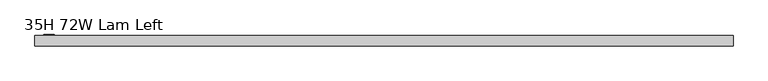
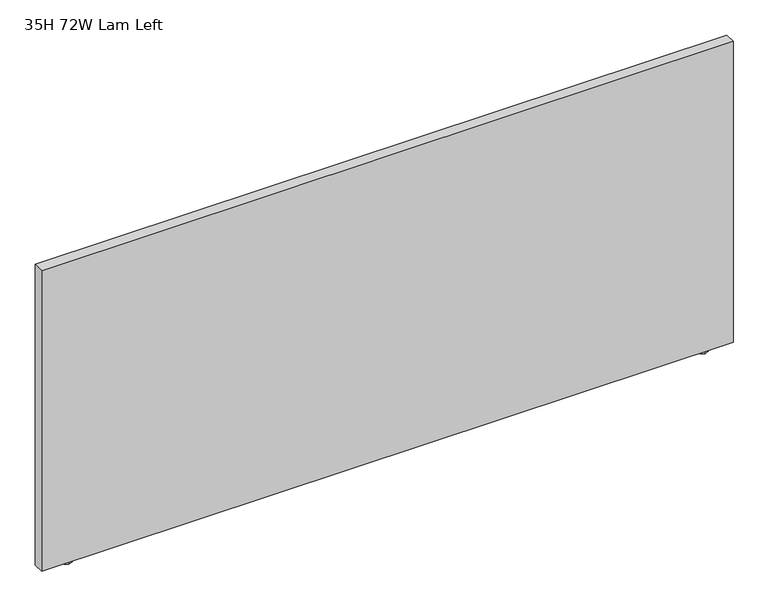
"""IFC4 building model written with IfcOpenShell, lengths in millimetres: furniture geometry, 35H 72W Lam Left."""

from ifc_helpers import new_model, si_unit, frame, origin, origin_with_axes, place, context, project, spatial, polyline, outline, extrude, source, transform, mapped, element, save


def furniture_35h_72w_lam_left_42b73026(model_context):
    return source(origin(), model_context, "Body", "SweptSolid", [
        extrude(outline(polyline([(1841.5, -12.0014999), (1845.6244439, -14.3827499), (1845.6244439, -19.1452499), (1841.5, -21.5264999), (1837.3755515, -19.1452499), (1837.3755515, -14.3827499), (1841.5, -12.0014999)])), frame((0.0, 0.0, 6.2484002), z_axis=(0.0, 0.0, 1.0), x_axis=(1.0, 0.0, 0.0)), (0.0, 0.0, 1.0), 0.7873997),
        extrude(outline(polyline([(1854.2000015, -24.7014992), (1841.5, -31.0514999), (1828.800003, -24.7014992), (1828.800003, -8.8265001), (1841.5, -2.4764999), (1854.2000015, -8.8265001), (1854.2000015, -24.7014992)])), origin_with_axes(), (0.0, 0.0, 1.0), 6.2484002),
        extrude(outline(polyline([(76.2, -12.0014999), (80.3244485, -14.3827499), (80.3244485, -19.1452499), (76.2, -21.5264999), (72.0755561, -19.1452499), (72.0755561, -14.3827499), (76.2, -12.0014999)])), frame((0.0, 0.0, 6.2484002), z_axis=(0.0, 0.0, 1.0), x_axis=(1.0, 0.0, 0.0)), (0.0, 0.0, 1.0), 0.7873997),
        extrude(outline(polyline([(65.4685012, -24.7014992), (65.4685012, -8.8265001), (76.2, -2.4764999), (88.899997, -8.8265001), (88.899997, -24.7014992), (76.2, -31.0514999), (65.4685012, -24.7014992)])), origin_with_axes(), (0.0, 0.0, 1.0), 6.2484002),
        extrude(outline(polyline([(1917.7, -1.778), (1917.7, -31.8008002), (0.0, -31.8008002), (0.0, -1.778), (1917.7, -1.778)])), frame((0.0, 0.0, 7.0357999), z_axis=(0.0, 0.0, 1.0), x_axis=(1.0, 0.0, 0.0)), (0.0, 0.0, 1.0), 881.9642001),
        extrude(outline(polyline([(53.403499, 0.0), (53.403499, -1.778), (24.8350302, -1.778), (24.8350302, 0.0), (53.403499, 0.0)])), frame((0.0, 0.0, 144.9578035), z_axis=(0.0, 0.0, 1.0), x_axis=(1.0, 0.0, 0.0)), (0.0, 0.0, 1.0), 558.7999725),
    ])


if __name__ == "__main__":
    model = new_model("IFC4")
    model_context = context("Model", 3, world=origin())
    ifc_project = project(units=[si_unit("LENGTHUNIT", "METRE", prefix="MILLI")], contexts=[model_context])
    site = spatial("IfcSite", under=ifc_project)
    building = spatial("IfcBuilding", under=site)
    placement = place(None, origin())
    furniture_35h_72w_lam_left_shape = furniture_35h_72w_lam_left_42b73026(model_context)
    element("IfcFurniture", 1, ObjectType="35H 72W Lam Left", at=placement, inside=building, context=model_context, shape_type="MappedRepresentation", body=[
        mapped(furniture_35h_72w_lam_left_shape, transform((0.0, 0.0, 0.0), x_axis=(1.0, 0.0, 0.0), y_axis=(0.0, 1.0, 0.0), z_axis=(0.0, 0.0, 1.0))),
    ])
    save(model, "model.ifc")
